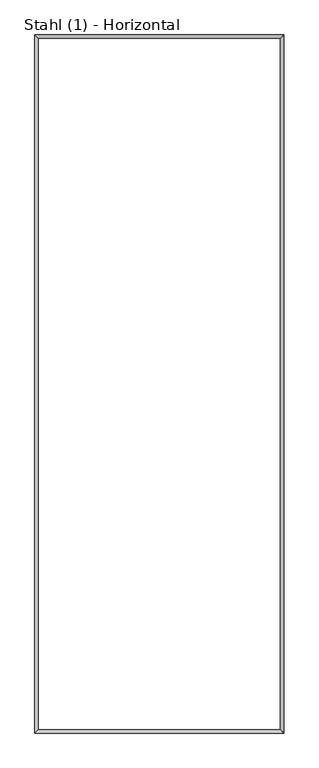
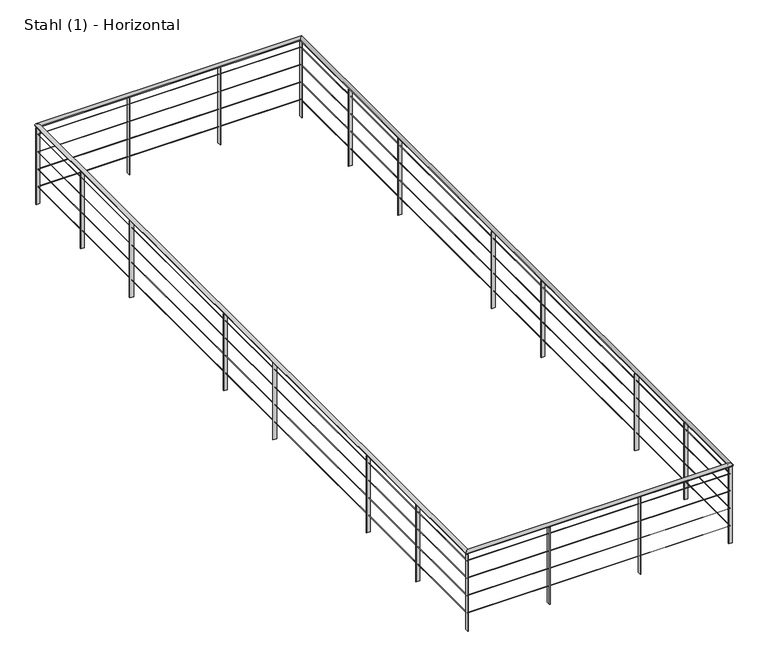
"""IFC4 building model written with IfcOpenShell, lengths in millimetres: railing geometry, Stahl (1) - Horizontal."""

from ifc_helpers import new_model, si_unit, frame, origin, place, context, project, spatial, polyline, ellipse_curve, outline, extrude, source, transform, mapped, element, save
from ifc_brep_helpers import cylinder_surface, advanced_brep


def stahl_1_horizontal_6ab4f2db(model_context):
    return source(origin(), model_context, "Body", "SolidModel", [
        advanced_brep(
        [(32945.7514238, 47522.2783323, 4700.0), (32985.7514238, 47482.2783323, 4700.0), (35805.7514239, 47482.2783323, 4700.0), (35845.7514239, 47522.2783323, 4700.0), (35805.7514239, 39444.4111689, 4700.0), (35845.7514239, 39404.4111689, 4700.0), (32985.7514238, 39444.4111689, 4700.0), (32945.7514238, 39404.4111689, 4700.0)],
        [
            (0, 1, ellipse_curve(frame((32965.7514238, 47502.2783323, 4700.0), z_axis=(0.7071067811865475, 0.7071067811865475, 0.0), x_axis=(-0.7071067811865476, 0.7071067811865474, 0.0)), 28.2842712, 20.0)),
            (1, 2),
            (2, 3, ellipse_curve(frame((35825.7514239, 47502.2783323, 4700.0), z_axis=(-0.7071067811865475, 0.7071067811865475, 0.0), x_axis=(-0.7071067811865476, -0.7071067811865474, 0.0)), 28.2842712, 20.0)),
            (3, 0),
            (1, 0, ellipse_curve(frame((32965.7514238, 47502.2783323, 4700.0), z_axis=(0.7071067811865475, 0.7071067811865475, 0.0), x_axis=(-0.7071067811865476, 0.7071067811865474, 0.0)), 28.2842712, 20.0)),
            (3, 2, ellipse_curve(frame((35825.7514239, 47502.2783323, 4700.0), z_axis=(-0.7071067811865475, 0.7071067811865475, 0.0), x_axis=(-0.7071067811865476, -0.7071067811865474, 0.0)), 28.2842712, 20.0)),
            (2, 4),
            (4, 5, ellipse_curve(frame((35825.7514239, 39424.4111689, 4700.0), z_axis=(0.7071067811865475, 0.7071067811865475, 0.0), x_axis=(-0.7071067811865474, 0.7071067811865476, 0.0)), 28.2842712, 20.0)),
            (5, 3),
            (5, 4, ellipse_curve(frame((35825.7514239, 39424.4111689, 4700.0), z_axis=(0.7071067811865475, 0.7071067811865475, 0.0), x_axis=(-0.7071067811865474, 0.7071067811865476, 0.0)), 28.2842712, 20.0)),
            (4, 6),
            (6, 7, ellipse_curve(frame((32965.7514238, 39424.4111689, 4700.0), z_axis=(0.7071067811865475, -0.7071067811865475, 0.0), x_axis=(0.7071067811865476, 0.7071067811865474, 0.0)), 28.2842712, 20.0)),
            (7, 5),
            (7, 6, ellipse_curve(frame((32965.7514238, 39424.4111689, 4700.0), z_axis=(0.7071067811865475, -0.7071067811865475, 0.0), x_axis=(0.7071067811865476, 0.7071067811865474, 0.0)), 28.2842712, 20.0)),
            (6, 1),
            (0, 7),
        ],
        [
            cylinder_surface(frame((32965.7514238, 47502.2783323, 4700.0), z_axis=(-1.0, 0.0, 0.0), x_axis=(0.0, 1.0, 0.0)), 20.0),
            cylinder_surface(frame((35825.7514239, 47502.2783323, 4700.0), z_axis=(0.0, 1.0, 0.0), x_axis=(1.0, 0.0, 0.0)), 20.0),
            cylinder_surface(frame((35825.7514239, 39424.4111689, 4700.0), z_axis=(1.0, 0.0, 0.0), x_axis=(0.0, -1.0, 0.0)), 20.0),
            cylinder_surface(frame((32965.7514238, 39424.4111689, 4700.0), z_axis=(0.0, -1.0, 0.0), x_axis=(-1.0, 0.0, 0.0)), 20.0),
        ],
        [
            (0, [[1, 2, 3, 4]]),
            (0, [[5, -4, 6, -2]]),
            (1, [[-3, 7, 8, 9]]),
            (1, [[-6, -9, 10, -7]]),
            (2, [[-8, 11, 12, 13]]),
            (2, [[-10, -13, 14, -11]]),
            (3, [[-12, 15, -1, 16]]),
            (3, [[-14, -16, -5, -15]]),
        ],
    ),
        advanced_brep(
        [(32964.2514238, 47503.7783323, 4598.5), (32967.2514238, 47500.7783323, 4598.5), (35824.2514239, 47500.7783323, 4598.5), (35827.2514239, 47503.7783323, 4598.5), (35824.2514239, 39425.9111689, 4598.5), (35827.2514239, 39422.9111689, 4598.5), (32967.2514238, 39425.9111689, 4598.5), (32964.2514238, 39422.9111689, 4598.5)],
        [
            (0, 1, ellipse_curve(frame((32965.7514238, 47502.2783323, 4598.5), z_axis=(0.7071067811865475, 0.7071067811865475, 0.0), x_axis=(-0.7071067811865476, 0.7071067811865474, 0.0)), 2.1213203, 1.5)),
            (1, 2),
            (2, 3, ellipse_curve(frame((35825.7514239, 47502.2783323, 4598.5), z_axis=(-0.7071067811865475, 0.7071067811865475, 0.0), x_axis=(-0.7071067811865476, -0.7071067811865474, 0.0)), 2.1213203, 1.5)),
            (3, 0),
            (1, 0, ellipse_curve(frame((32965.7514238, 47502.2783323, 4598.5), z_axis=(0.7071067811865475, 0.7071067811865475, 0.0), x_axis=(-0.7071067811865476, 0.7071067811865474, 0.0)), 2.1213203, 1.5)),
            (3, 2, ellipse_curve(frame((35825.7514239, 47502.2783323, 4598.5), z_axis=(-0.7071067811865475, 0.7071067811865475, 0.0), x_axis=(-0.7071067811865476, -0.7071067811865474, 0.0)), 2.1213203, 1.5)),
            (2, 4),
            (4, 5, ellipse_curve(frame((35825.7514239, 39424.4111689, 4598.5), z_axis=(0.7071067811865475, 0.7071067811865475, 0.0), x_axis=(-0.7071067811865474, 0.7071067811865476, 0.0)), 2.1213203, 1.5)),
            (5, 3),
            (5, 4, ellipse_curve(frame((35825.7514239, 39424.4111689, 4598.5), z_axis=(0.7071067811865475, 0.7071067811865475, 0.0), x_axis=(-0.7071067811865474, 0.7071067811865476, 0.0)), 2.1213203, 1.5)),
            (4, 6),
            (6, 7, ellipse_curve(frame((32965.7514238, 39424.4111689, 4598.5), z_axis=(0.7071067811865475, -0.7071067811865475, 0.0), x_axis=(0.7071067811865476, 0.7071067811865474, 0.0)), 2.1213203, 1.5)),
            (7, 5),
            (7, 6, ellipse_curve(frame((32965.7514238, 39424.4111689, 4598.5), z_axis=(0.7071067811865475, -0.7071067811865475, 0.0), x_axis=(0.7071067811865476, 0.7071067811865474, 0.0)), 2.1213203, 1.5)),
            (6, 1),
            (0, 7),
        ],
        [
            cylinder_surface(frame((32965.7514238, 47502.2783323, 4598.5), z_axis=(-1.0, 0.0, 0.0), x_axis=(0.0, 1.0, 0.0)), 1.5),
            cylinder_surface(frame((35825.7514239, 47502.2783323, 4598.5), z_axis=(0.0, 1.0, 0.0), x_axis=(1.0, 0.0, 0.0)), 1.5),
            cylinder_surface(frame((35825.7514239, 39424.4111689, 4598.5), z_axis=(1.0, 0.0, 0.0), x_axis=(0.0, -1.0, 0.0)), 1.5),
            cylinder_surface(frame((32965.7514238, 39424.4111689, 4598.5), z_axis=(0.0, -1.0, 0.0), x_axis=(-1.0, 0.0, 0.0)), 1.5),
        ],
        [
            (0, [[1, 2, 3, 4]]),
            (0, [[5, -4, 6, -2]]),
            (1, [[-3, 7, 8, 9]]),
            (1, [[-6, -9, 10, -7]]),
            (2, [[-8, 11, 12, 13]]),
            (2, [[-10, -13, 14, -11]]),
            (3, [[-12, 15, -1, 16]]),
            (3, [[-14, -16, -5, -15]]),
        ],
    ),
        advanced_brep(
        [(32964.2514238, 47503.7783323, 4398.5), (32967.2514238, 47500.7783323, 4398.5), (35824.2514239, 47500.7783323, 4398.5), (35827.2514239, 47503.7783323, 4398.5), (35824.2514239, 39425.9111689, 4398.5), (35827.2514239, 39422.9111689, 4398.5), (32967.2514238, 39425.9111689, 4398.5), (32964.2514238, 39422.9111689, 4398.5)],
        [
            (0, 1, ellipse_curve(frame((32965.7514238, 47502.2783323, 4398.5), z_axis=(0.7071067811865475, 0.7071067811865475, 0.0), x_axis=(-0.7071067811865476, 0.7071067811865474, 0.0)), 2.1213203, 1.5)),
            (1, 2),
            (2, 3, ellipse_curve(frame((35825.7514239, 47502.2783323, 4398.5), z_axis=(-0.7071067811865475, 0.7071067811865475, 0.0), x_axis=(-0.7071067811865476, -0.7071067811865474, 0.0)), 2.1213203, 1.5)),
            (3, 0),
            (1, 0, ellipse_curve(frame((32965.7514238, 47502.2783323, 4398.5), z_axis=(0.7071067811865475, 0.7071067811865475, 0.0), x_axis=(-0.7071067811865476, 0.7071067811865474, 0.0)), 2.1213203, 1.5)),
            (3, 2, ellipse_curve(frame((35825.7514239, 47502.2783323, 4398.5), z_axis=(-0.7071067811865475, 0.7071067811865475, 0.0), x_axis=(-0.7071067811865476, -0.7071067811865474, 0.0)), 2.1213203, 1.5)),
            (2, 4),
            (4, 5, ellipse_curve(frame((35825.7514239, 39424.4111689, 4398.5), z_axis=(0.7071067811865475, 0.7071067811865475, 0.0), x_axis=(-0.7071067811865474, 0.7071067811865476, 0.0)), 2.1213203, 1.5)),
            (5, 3),
            (5, 4, ellipse_curve(frame((35825.7514239, 39424.4111689, 4398.5), z_axis=(0.7071067811865475, 0.7071067811865475, 0.0), x_axis=(-0.7071067811865474, 0.7071067811865476, 0.0)), 2.1213203, 1.5)),
            (4, 6),
            (6, 7, ellipse_curve(frame((32965.7514238, 39424.4111689, 4398.5), z_axis=(0.7071067811865475, -0.7071067811865475, 0.0), x_axis=(0.7071067811865476, 0.7071067811865474, 0.0)), 2.1213203, 1.5)),
            (7, 5),
            (7, 6, ellipse_curve(frame((32965.7514238, 39424.4111689, 4398.5), z_axis=(0.7071067811865475, -0.7071067811865475, 0.0), x_axis=(0.7071067811865476, 0.7071067811865474, 0.0)), 2.1213203, 1.5)),
            (6, 1),
            (0, 7),
        ],
        [
            cylinder_surface(frame((32965.7514238, 47502.2783323, 4398.5), z_axis=(-1.0, 0.0, 0.0), x_axis=(0.0, 1.0, 0.0)), 1.5),
            cylinder_surface(frame((35825.7514239, 47502.2783323, 4398.5), z_axis=(0.0, 1.0, 0.0), x_axis=(1.0, 0.0, 0.0)), 1.5),
            cylinder_surface(frame((35825.7514239, 39424.4111689, 4398.5), z_axis=(1.0, 0.0, 0.0), x_axis=(0.0, -1.0, 0.0)), 1.5),
            cylinder_surface(frame((32965.7514238, 39424.4111689, 4398.5), z_axis=(0.0, -1.0, 0.0), x_axis=(-1.0, 0.0, 0.0)), 1.5),
        ],
        [
            (0, [[1, 2, 3, 4]]),
            (0, [[5, -4, 6, -2]]),
            (1, [[-3, 7, 8, 9]]),
            (1, [[-6, -9, 10, -7]]),
            (2, [[-8, 11, 12, 13]]),
            (2, [[-10, -13, 14, -11]]),
            (3, [[-12, 15, -1, 16]]),
            (3, [[-14, -16, -5, -15]]),
        ],
    ),
        advanced_brep(
        [(32964.2514238, 47503.7783323, 4198.5), (32967.2514238, 47500.7783323, 4198.5), (35824.2514239, 47500.7783323, 4198.5), (35827.2514239, 47503.7783323, 4198.5), (35824.2514239, 39425.9111689, 4198.5), (35827.2514239, 39422.9111689, 4198.5), (32967.2514238, 39425.9111689, 4198.5), (32964.2514238, 39422.9111689, 4198.5)],
        [
            (0, 1, ellipse_curve(frame((32965.7514238, 47502.2783323, 4198.5), z_axis=(0.7071067811865475, 0.7071067811865475, 0.0), x_axis=(-0.7071067811865476, 0.7071067811865474, 0.0)), 2.1213203, 1.5)),
            (1, 2),
            (2, 3, ellipse_curve(frame((35825.7514239, 47502.2783323, 4198.5), z_axis=(-0.7071067811865475, 0.7071067811865475, 0.0), x_axis=(-0.7071067811865476, -0.7071067811865474, 0.0)), 2.1213203, 1.5)),
            (3, 0),
            (1, 0, ellipse_curve(frame((32965.7514238, 47502.2783323, 4198.5), z_axis=(0.7071067811865475, 0.7071067811865475, 0.0), x_axis=(-0.7071067811865476, 0.7071067811865474, 0.0)), 2.1213203, 1.5)),
            (3, 2, ellipse_curve(frame((35825.7514239, 47502.2783323, 4198.5), z_axis=(-0.7071067811865475, 0.7071067811865475, 0.0), x_axis=(-0.7071067811865476, -0.7071067811865474, 0.0)), 2.1213203, 1.5)),
            (2, 4),
            (4, 5, ellipse_curve(frame((35825.7514239, 39424.4111689, 4198.5), z_axis=(0.7071067811865475, 0.7071067811865475, 0.0), x_axis=(-0.7071067811865474, 0.7071067811865476, 0.0)), 2.1213203, 1.5)),
            (5, 3),
            (5, 4, ellipse_curve(frame((35825.7514239, 39424.4111689, 4198.5), z_axis=(0.7071067811865475, 0.7071067811865475, 0.0), x_axis=(-0.7071067811865474, 0.7071067811865476, 0.0)), 2.1213203, 1.5)),
            (4, 6),
            (6, 7, ellipse_curve(frame((32965.7514238, 39424.4111689, 4198.5), z_axis=(0.7071067811865475, -0.7071067811865475, 0.0), x_axis=(0.7071067811865476, 0.7071067811865474, 0.0)), 2.1213203, 1.5)),
            (7, 5),
            (7, 6, ellipse_curve(frame((32965.7514238, 39424.4111689, 4198.5), z_axis=(0.7071067811865475, -0.7071067811865475, 0.0), x_axis=(0.7071067811865476, 0.7071067811865474, 0.0)), 2.1213203, 1.5)),
            (6, 1),
            (0, 7),
        ],
        [
            cylinder_surface(frame((32965.7514238, 47502.2783323, 4198.5), z_axis=(-1.0, 0.0, 0.0), x_axis=(0.0, 1.0, 0.0)), 1.5),
            cylinder_surface(frame((35825.7514239, 47502.2783323, 4198.5), z_axis=(0.0, 1.0, 0.0), x_axis=(1.0, 0.0, 0.0)), 1.5),
            cylinder_surface(frame((35825.7514239, 39424.4111689, 4198.5), z_axis=(1.0, 0.0, 0.0), x_axis=(0.0, -1.0, 0.0)), 1.5),
            cylinder_surface(frame((32965.7514238, 39424.4111689, 4198.5), z_axis=(0.0, -1.0, 0.0), x_axis=(-1.0, 0.0, 0.0)), 1.5),
        ],
        [
            (0, [[1, 2, 3, 4]]),
            (0, [[5, -4, 6, -2]]),
            (1, [[-3, 7, 8, 9]]),
            (1, [[-6, -9, 10, -7]]),
            (2, [[-8, 11, 12, 13]]),
            (2, [[-10, -13, 14, -11]]),
            (3, [[-12, 15, -1, 16]]),
            (3, [[-14, -16, -5, -15]]),
        ],
    ),
        advanced_brep(
        [(32964.2514238, 47503.7783323, 3998.5), (32967.2514238, 47500.7783323, 3998.5), (35824.2514239, 47500.7783323, 3998.5), (35827.2514239, 47503.7783323, 3998.5), (35824.2514239, 39425.9111689, 3998.5), (35827.2514239, 39422.9111689, 3998.5), (32967.2514238, 39425.9111689, 3998.5), (32964.2514238, 39422.9111689, 3998.5)],
        [
            (0, 1, ellipse_curve(frame((32965.7514238, 47502.2783323, 3998.5), z_axis=(0.7071067811865475, 0.7071067811865475, 0.0), x_axis=(-0.7071067811865476, 0.7071067811865474, 0.0)), 2.1213203, 1.5)),
            (1, 2),
            (2, 3, ellipse_curve(frame((35825.7514239, 47502.2783323, 3998.5), z_axis=(-0.7071067811865475, 0.7071067811865475, 0.0), x_axis=(-0.7071067811865476, -0.7071067811865474, 0.0)), 2.1213203, 1.5)),
            (3, 0),
            (1, 0, ellipse_curve(frame((32965.7514238, 47502.2783323, 3998.5), z_axis=(0.7071067811865475, 0.7071067811865475, 0.0), x_axis=(-0.7071067811865476, 0.7071067811865474, 0.0)), 2.1213203, 1.5)),
            (3, 2, ellipse_curve(frame((35825.7514239, 47502.2783323, 3998.5), z_axis=(-0.7071067811865475, 0.7071067811865475, 0.0), x_axis=(-0.7071067811865476, -0.7071067811865474, 0.0)), 2.1213203, 1.5)),
            (2, 4),
            (4, 5, ellipse_curve(frame((35825.7514239, 39424.4111689, 3998.5), z_axis=(0.7071067811865475, 0.7071067811865475, 0.0), x_axis=(-0.7071067811865474, 0.7071067811865476, 0.0)), 2.1213203, 1.5)),
            (5, 3),
            (5, 4, ellipse_curve(frame((35825.7514239, 39424.4111689, 3998.5), z_axis=(0.7071067811865475, 0.7071067811865475, 0.0), x_axis=(-0.7071067811865474, 0.7071067811865476, 0.0)), 2.1213203, 1.5)),
            (4, 6),
            (6, 7, ellipse_curve(frame((32965.7514238, 39424.4111689, 3998.5), z_axis=(0.7071067811865475, -0.7071067811865475, 0.0), x_axis=(0.7071067811865476, 0.7071067811865474, 0.0)), 2.1213203, 1.5)),
            (7, 5),
            (7, 6, ellipse_curve(frame((32965.7514238, 39424.4111689, 3998.5), z_axis=(0.7071067811865475, -0.7071067811865475, 0.0), x_axis=(0.7071067811865476, 0.7071067811865474, 0.0)), 2.1213203, 1.5)),
            (6, 1),
            (0, 7),
        ],
        [
            cylinder_surface(frame((32965.7514238, 47502.2783323, 3998.5), z_axis=(-1.0, 0.0, 0.0), x_axis=(0.0, 1.0, 0.0)), 1.5),
            cylinder_surface(frame((35825.7514239, 47502.2783323, 3998.5), z_axis=(0.0, 1.0, 0.0), x_axis=(1.0, 0.0, 0.0)), 1.5),
            cylinder_surface(frame((35825.7514239, 39424.4111689, 3998.5), z_axis=(1.0, 0.0, 0.0), x_axis=(0.0, -1.0, 0.0)), 1.5),
            cylinder_surface(frame((32965.7514238, 39424.4111689, 3998.5), z_axis=(0.0, -1.0, 0.0), x_axis=(-1.0, 0.0, 0.0)), 1.5),
        ],
        [
            (0, [[1, 2, 3, 4]]),
            (0, [[5, -4, 6, -2]]),
            (1, [[-3, 7, 8, 9]]),
            (1, [[-6, -9, 10, -7]]),
            (2, [[-8, 11, 12, 13]]),
            (2, [[-10, -13, 14, -11]]),
            (3, [[-12, 15, -1, 16]]),
            (3, [[-14, -16, -5, -15]]),
        ],
    ),
        extrude(outline(polyline([(32945.7514238, 46662.6369016), (32945.7514238, 46670.6369016), (32985.7514238, 46670.6369016), (32985.7514238, 46662.6369016), (32945.7514238, 46662.6369016)])), frame((0.0, 0.0, 3800.0), z_axis=(0.0, 0.0, 1.0), x_axis=(1.0, 0.0, 0.0)), (0.0, 0.0, 1.0), 880.0),
        extrude(outline(polyline([(32945.7514238, 45734.146423), (32945.7514238, 45742.146423), (32985.7514238, 45742.146423), (32985.7514238, 45734.146423), (32945.7514238, 45734.146423)])), frame((0.0, 0.0, 3800.0), z_axis=(0.0, 0.0, 1.0), x_axis=(1.0, 0.0, 0.0)), (0.0, 0.0, 1.0), 880.0),
        extrude(outline(polyline([(32945.7514238, 43970.0145138), (32945.7514238, 43978.0145138), (32985.7514238, 43978.0145138), (32985.7514238, 43970.0145138), (32945.7514238, 43970.0145138)])), frame((0.0, 0.0, 3800.0), z_axis=(0.0, 0.0, 1.0), x_axis=(1.0, 0.0, 0.0)), (0.0, 0.0, 1.0), 880.0),
        extrude(outline(polyline([(32945.7514238, 43041.5240352), (32945.7514238, 43049.5240352), (32985.7514238, 43049.5240352), (32985.7514238, 43041.5240352), (32945.7514238, 43041.5240352)])), frame((0.0, 0.0, 3800.0), z_axis=(0.0, 0.0, 1.0), x_axis=(1.0, 0.0, 0.0)), (0.0, 0.0, 1.0), 880.0),
        extrude(outline(polyline([(32945.7514238, 41277.392126), (32945.7514238, 41285.392126), (32985.7514238, 41285.392126), (32985.7514238, 41277.392126), (32945.7514238, 41277.392126)])), frame((0.0, 0.0, 3800.0), z_axis=(0.0, 0.0, 1.0), x_axis=(1.0, 0.0, 0.0)), (0.0, 0.0, 1.0), 880.0),
        extrude(outline(polyline([(32945.7514238, 40348.9016475), (32945.7514238, 40356.9016475), (32985.7514238, 40356.9016475), (32985.7514238, 40348.9016475), (32945.7514238, 40348.9016475)])), frame((0.0, 0.0, 3800.0), z_axis=(0.0, 0.0, 1.0), x_axis=(1.0, 0.0, 0.0)), (0.0, 0.0, 1.0), 880.0),
        extrude(outline(polyline([(33857.3376307, 39404.4111689), (33849.3376307, 39404.4111689), (33849.3376307, 39444.4111689), (33857.3376307, 39444.4111689), (33857.3376307, 39404.4111689)])), frame((0.0, 0.0, 3800.0), z_axis=(0.0, 0.0, 1.0), x_axis=(1.0, 0.0, 0.0)), (0.0, 0.0, 1.0), 880.0),
        extrude(outline(polyline([(34843.5445273, 39404.4111689), (34835.5445273, 39404.4111689), (34835.5445273, 39444.4111689), (34843.5445273, 39444.4111689), (34843.5445273, 39404.4111689)])), frame((0.0, 0.0, 3800.0), z_axis=(0.0, 0.0, 1.0), x_axis=(1.0, 0.0, 0.0)), (0.0, 0.0, 1.0), 880.0),
        extrude(outline(polyline([(35845.7514239, 40264.0525996), (35845.7514239, 40256.0525996), (35805.7514239, 40256.0525996), (35805.7514239, 40264.0525996), (35845.7514239, 40264.0525996)])), frame((0.0, 0.0, 3800.0), z_axis=(0.0, 0.0, 1.0), x_axis=(1.0, 0.0, 0.0)), (0.0, 0.0, 1.0), 880.0),
        extrude(outline(polyline([(35845.7514239, 41192.5430782), (35845.7514239, 41184.5430782), (35805.7514239, 41184.5430782), (35805.7514239, 41192.5430782), (35845.7514239, 41192.5430782)])), frame((0.0, 0.0, 3800.0), z_axis=(0.0, 0.0, 1.0), x_axis=(1.0, 0.0, 0.0)), (0.0, 0.0, 1.0), 880.0),
        extrude(outline(polyline([(35845.7514239, 42956.6749874), (35845.7514239, 42948.6749874), (35805.7514239, 42948.6749874), (35805.7514239, 42956.6749874), (35845.7514239, 42956.6749874)])), frame((0.0, 0.0, 3800.0), z_axis=(0.0, 0.0, 1.0), x_axis=(1.0, 0.0, 0.0)), (0.0, 0.0, 1.0), 880.0),
        extrude(outline(polyline([(35845.7514239, 43885.1654659), (35845.7514239, 43877.1654659), (35805.7514239, 43877.1654659), (35805.7514239, 43885.1654659), (35845.7514239, 43885.1654659)])), frame((0.0, 0.0, 3800.0), z_axis=(0.0, 0.0, 1.0), x_axis=(1.0, 0.0, 0.0)), (0.0, 0.0, 1.0), 880.0),
        extrude(outline(polyline([(35845.7514239, 45649.2973752), (35845.7514239, 45641.2973752), (35805.7514239, 45641.2973752), (35805.7514239, 45649.2973752), (35845.7514239, 45649.2973752)])), frame((0.0, 0.0, 3800.0), z_axis=(0.0, 0.0, 1.0), x_axis=(1.0, 0.0, 0.0)), (0.0, 0.0, 1.0), 880.0),
        extrude(outline(polyline([(35845.7514239, 46577.7878537), (35845.7514239, 46569.7878537), (35805.7514239, 46569.7878537), (35805.7514239, 46577.7878537), (35845.7514239, 46577.7878537)])), frame((0.0, 0.0, 3800.0), z_axis=(0.0, 0.0, 1.0), x_axis=(1.0, 0.0, 0.0)), (0.0, 0.0, 1.0), 880.0),
        extrude(outline(polyline([(34934.165217, 47522.2783323), (34942.165217, 47522.2783323), (34942.165217, 47482.2783323), (34934.165217, 47482.2783323), (34934.165217, 47522.2783323)])), frame((0.0, 0.0, 3800.0), z_axis=(0.0, 0.0, 1.0), x_axis=(1.0, 0.0, 0.0)), (0.0, 0.0, 1.0), 880.0),
        extrude(outline(polyline([(33947.9583204, 47522.2783323), (33955.9583204, 47522.2783323), (33955.9583204, 47482.2783323), (33947.9583204, 47482.2783323), (33947.9583204, 47522.2783323)])), frame((0.0, 0.0, 3800.0), z_axis=(0.0, 0.0, 1.0), x_axis=(1.0, 0.0, 0.0)), (0.0, 0.0, 1.0), 880.0),
        extrude(outline(polyline([(32945.7514238, 47498.2783323), (32945.7514238, 47506.2783323), (32985.7514238, 47506.2783323), (32985.7514238, 47498.2783323), (32945.7514238, 47498.2783323)])), frame((0.0, 0.0, 3800.0), z_axis=(0.0, 0.0, 1.0), x_axis=(1.0, 0.0, 0.0)), (0.0, 0.0, 1.0), 880.0),
        extrude(outline(polyline([(32969.7514238, 39404.4111689), (32961.7514238, 39404.4111689), (32961.7514238, 39444.4111689), (32969.7514238, 39444.4111689), (32969.7514238, 39404.4111689)])), frame((0.0, 0.0, 3800.0), z_axis=(0.0, 0.0, 1.0), x_axis=(1.0, 0.0, 0.0)), (0.0, 0.0, 1.0), 880.0),
        extrude(outline(polyline([(35845.7514239, 39428.4111689), (35845.7514239, 39420.4111689), (35805.7514239, 39420.4111689), (35805.7514239, 39428.4111689), (35845.7514239, 39428.4111689)])), frame((0.0, 0.0, 3800.0), z_axis=(0.0, 0.0, 1.0), x_axis=(1.0, 0.0, 0.0)), (0.0, 0.0, 1.0), 880.0),
        extrude(outline(polyline([(35821.7514239, 47522.2783323), (35829.7514239, 47522.2783323), (35829.7514239, 47482.2783323), (35821.7514239, 47482.2783323), (35821.7514239, 47522.2783323)])), frame((0.0, 0.0, 3800.0), z_axis=(0.0, 0.0, 1.0), x_axis=(1.0, 0.0, 0.0)), (0.0, 0.0, 1.0), 880.0),
    ])


if __name__ == "__main__":
    model = new_model("IFC4")
    model_context = context("Model", 3, world=origin())
    ifc_project = project(units=[si_unit("LENGTHUNIT", "METRE", prefix="MILLI")], contexts=[model_context])
    site = spatial("IfcSite", under=ifc_project)
    building = spatial("IfcBuilding", under=site)
    placement = place(None, origin())
    stahl_1_horizontal_shape = stahl_1_horizontal_6ab4f2db(model_context)
    element("IfcRailing", 1, ObjectType="Stahl (1) - Horizontal", at=placement, inside=building, context=model_context, shape_type="MappedRepresentation", body=[
        mapped(stahl_1_horizontal_shape, transform((0.0, 0.0, 0.0), x_axis=(1.0, 0.0, 0.0), y_axis=(0.0, 1.0, 0.0), z_axis=(0.0, 0.0, 1.0))),
    ])
    save(model, "model.ifc")
